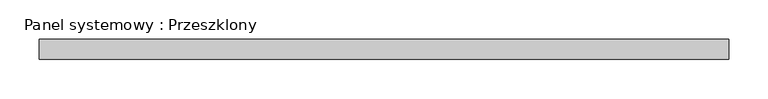
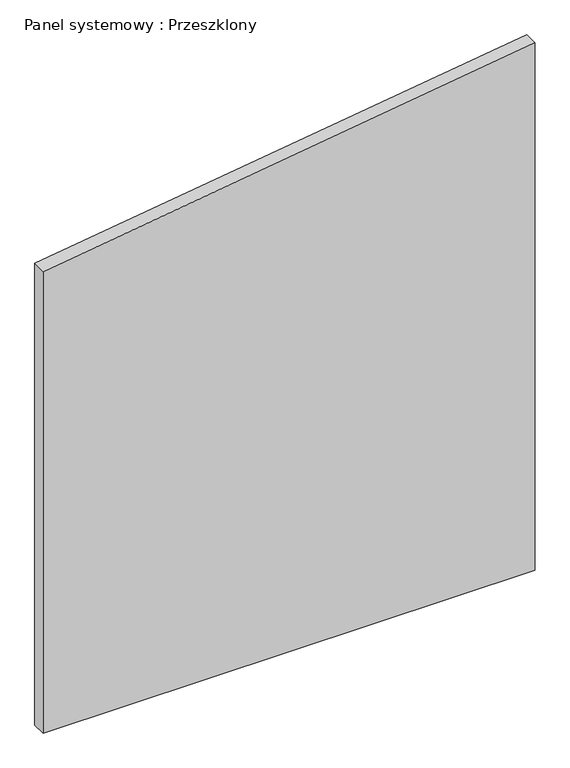
"""IFC4 building model written with IfcOpenShell, lengths in millimetres: plate geometry, Panel systemowy : Przeszklony."""

import ifcopenshell
import ifcopenshell.guid

model = None  # the IFC model being written
_history = None  # IfcOwnerHistory: only IFC2X3 demands one
_inside = {}  # id of a spatial element -> (the spatial element, [elements in it])
_under = {}  # id of a project, library or spatial element -> (it, [spatial elements below it])
_declared = {}  # id of a project -> (the project, [libraries it declares])
_typed = {}  # id of a type object -> (the type object, [elements of that type])
_made_of = {}  # id of a material, layer set ... -> (it, [elements and type objects made of it])


def new_model(schema):
    """Start an empty IFC model of exactly this schema.

    Asked for "IFC4X3", IfcOpenShell would pick the latest addendum, in which some entities
    have other attributes; the version numbers below select the first issue.
    IFC2X3 requires an IfcOwnerHistory on every rooted entity: one is made here for all.
    """
    global model, _history
    if schema == "IFC4X3":
        model = ifcopenshell.file(schema_version=(4, 3, 0, 0))
    else:
        model = ifcopenshell.file(schema=schema)
    _inside.clear()
    _under.clear()
    _declared.clear()
    _typed.clear()
    _made_of.clear()
    _history = None
    if model.schema == "IFC2X3":
        org = make("IfcOrganization", Name="unknown")
        user = make(
            "IfcPersonAndOrganization",
            ThePerson=make("IfcPerson", FamilyName="unknown"),
            TheOrganization=org,
        )
        app = make(
            "IfcApplication",
            ApplicationDeveloper=org,
            Version="unknown",
            ApplicationFullName="unknown",
            ApplicationIdentifier="unknown",
        )
        _history = make(
            "IfcOwnerHistory",
            OwningUser=user,
            OwningApplication=app,
            ChangeAction="ADDED",
            CreationDate=0,
        )
    return model


def make(cls, **values):
    """One entity of the class cls with the attributes given. An attribute that is None is left unset."""
    return model.create_entity(
        cls, **{name: value for name, value in values.items() if value is not None}
    )


def rooted(cls, **values):
    """An entity with a GlobalId (a new one), such as an element, a storey or a relation."""
    return make(cls, GlobalId=ifcopenshell.guid.new(), OwnerHistory=_history, **values)


def si_unit(unit_type, name, prefix=None):
    """IfcSIUnit, for example si_unit("LENGTHUNIT", "METRE", prefix="MILLI")."""
    return make("IfcSIUnit", UnitType=unit_type, Prefix=prefix, Name=name)


def assignment(units):
    """IfcUnitAssignment: the units of a project."""
    return None if units is None else make("IfcUnitAssignment", Units=units)


def point(xyz):
    """IfcCartesianPoint."""
    return None if xyz is None else make("IfcCartesianPoint", Coordinates=xyz)


def direction(xyz):
    """IfcDirection."""
    return None if xyz is None else make("IfcDirection", DirectionRatios=xyz)


def frame(location, z_axis=None, x_axis=None):
    """IfcAxis2Placement3D, a coordinate frame: its origin and axes. An axis left out is left unset."""
    return make(
        "IfcAxis2Placement3D",
        Location=point(location),
        Axis=direction(z_axis),
        RefDirection=direction(x_axis),
    )


def origin():
    """The frame at (0, 0, 0) with its axes left unset."""
    return frame((0.0, 0.0, 0.0))


def place(relative_to, where):
    """IfcLocalPlacement: puts the frame where relative to a parent placement (None: the world)."""
    return make(
        "IfcLocalPlacement", PlacementRelTo=relative_to, RelativePlacement=where
    )


def context(
    kind, dimensions, precision=None, world=None, true_north=None, identifier=None
):
    """IfcGeometricRepresentationContext, for example the 3D "Model" context."""
    return make(
        "IfcGeometricRepresentationContext",
        ContextIdentifier=identifier,
        ContextType=kind,
        CoordinateSpaceDimension=dimensions,
        Precision=precision,
        WorldCoordinateSystem=world,
        TrueNorth=true_north,
    )


def project(units=None, contexts=None):
    """IfcProject with its units and contexts."""
    return rooted(
        "IfcProject",
        Name="project",
        RepresentationContexts=contexts,
        UnitsInContext=assignment(units),
    )


def spatial(cls, under=None, at=None, **own):
    """A site, building, storey or space (cls), placed at a placement, below another one or the project."""
    s = rooted(cls, ObjectPlacement=at, **own)
    if under is not None:
        _under.setdefault(under.id(), (under, []))[1].append(s)
    return s


def polyline(points):
    """IfcPolyline through the points."""
    return make("IfcPolyline", Points=[point(p) for p in points])


def outline(outer, holes=None, kind="AREA"):
    """IfcArbitraryClosedProfileDef: a profile drawn as a closed curve; with holes, ...WithVoids."""
    if holes is None:
        return make("IfcArbitraryClosedProfileDef", ProfileType=kind, OuterCurve=outer)
    return make(
        "IfcArbitraryProfileDefWithVoids",
        ProfileType=kind,
        OuterCurve=outer,
        InnerCurves=holes,
    )


def extrude(swept, where, along, depth):
    """IfcExtrudedAreaSolid: the profile swept, set in the frame where, extruded along a direction by depth."""
    return make(
        "IfcExtrudedAreaSolid",
        SweptArea=swept,
        Position=where,
        ExtrudedDirection=direction(along),
        Depth=depth,
    )


def shape(context_of_items, identifier, shape_type, items):
    """IfcShapeRepresentation: the items that make up one representation, for example the "Body"."""
    return make(
        "IfcShapeRepresentation",
        ContextOfItems=context_of_items,
        RepresentationIdentifier=identifier,
        RepresentationType=shape_type,
        Items=items,
    )


def source(mapping_origin, context_of_items, identifier, shape_type, items):
    """IfcRepresentationMap: a shape defined once, which mapped items show again and again."""
    return make(
        "IfcRepresentationMap",
        MappingOrigin=mapping_origin,
        MappedRepresentation=shape(context_of_items, identifier, shape_type, items),
    )


def transform(
    local_origin,
    x_axis=None,
    y_axis=None,
    z_axis=None,
    scale=None,
    scale2=None,
    scale3=None,
    uniform=True,
):
    """IfcCartesianTransformationOperator3D, or its non-uniform kind. x_axis, y_axis, z_axis: its Axis1, 2, 3."""
    if uniform:
        return make(
            "IfcCartesianTransformationOperator3D",
            Axis1=direction(x_axis),
            Axis2=direction(y_axis),
            LocalOrigin=point(local_origin),
            Scale=scale,
            Axis3=direction(z_axis),
        )
    return make(
        "IfcCartesianTransformationOperator3DnonUniform",
        Axis1=direction(x_axis),
        Axis2=direction(y_axis),
        LocalOrigin=point(local_origin),
        Scale=scale,
        Axis3=direction(z_axis),
        Scale2=scale2,
        Scale3=scale3,
    )


def mapped(mapping_source, mapping_target):
    """IfcMappedItem: shows the shape of a source again, moved by a transform."""
    return make(
        "IfcMappedItem", MappingSource=mapping_source, MappingTarget=mapping_target
    )


def made_of(thing, what):
    """Note that an element or type object is made of a material, layer set ...; save() writes the relation."""
    if what is not None:
        _made_of.setdefault(what.id(), (what, []))[1].append(thing)
    return thing


def element(
    cls,
    number,
    at=None,
    inside=None,
    cuts=None,
    type_object=None,
    material=None,
    context=None,
    identifier="Body",
    shape_type=None,
    held_by="IfcProductDefinitionShape",
    body=None,
    shapes=None,
    **own,
):
    """One element of the class cls, such as IfcWall. Its Tag is "e" and its number.

    at: its placement. inside: the storey or other place that contains it. cuts: it is an
    opening in that element (IfcRelVoidsElement). A single representation is given by context,
    identifier, shape_type and body (its items); several are given by shapes. held_by: the class
    of the entity that holds the representations. save() writes the other relations.
    """
    e = rooted(cls, Tag="e%d" % number, ObjectPlacement=at, **own)
    if body is not None:
        shapes = [shape(context, identifier, shape_type, body)]
    if shapes is not None:
        e.Representation = make(held_by, Representations=shapes)
    if inside is not None:
        _inside.setdefault(inside.id(), (inside, []))[1].append(e)
    if cuts is not None:
        rooted(
            "IfcRelVoidsElement", RelatingBuildingElement=cuts, RelatedOpeningElement=e
        )
    if type_object is not None:
        _typed.setdefault(type_object.id(), (type_object, []))[1].append(e)
    return made_of(e, material)


def aggregate(whole, parts):
    """IfcRelAggregates: a whole, such as a stair, and the parts it consists of."""
    return rooted("IfcRelAggregates", RelatingObject=whole, RelatedObjects=parts)


def save(model, path):
    """Write the relations noted so far, then the file.

    IfcRelAggregates (storeys below a building ...), IfcRelContainedInSpatialStructure (elements
    in a storey), IfcRelDefinesByType, IfcRelAssociatesMaterial and IfcRelDeclares: one each for
    every whole, place, type object, material and project.
    """
    for whole, parts in _under.values():
        aggregate(whole, parts)
    for where, things in _inside.values():
        rooted(
            "IfcRelContainedInSpatialStructure",
            RelatedElements=things,
            RelatingStructure=where,
        )
    for kind, things in _typed.values():
        rooted("IfcRelDefinesByType", RelatedObjects=things, RelatingType=kind)
    for what, things in _made_of.values():
        rooted("IfcRelAssociatesMaterial", RelatedObjects=things, RelatingMaterial=what)
    for by, libraries in _declared.values():
        rooted("IfcRelDeclares", RelatingContext=by, RelatedDefinitions=libraries)
    model.write(path)


def panel_systemowy_przeszklony_320d1eef(model_context):
    return source(origin(), model_context, "Body", "SweptSolid", [
        extrude(outline(polyline([(0.0, -437.5), (0.0, 437.5), (990.2399972, 437.5), (867.1986152, -437.5), (0.0, -437.5)])), frame((0.0, 24.5, 0.0), z_axis=(0.0, 1.0, 0.0), x_axis=(0.0, 0.0, 1.0)), (0.0, 0.0, 1.0), 25.0),
    ])


if __name__ == "__main__":
    model = new_model("IFC4")
    model_context = context("Model", 3, world=origin())
    ifc_project = project(units=[si_unit("LENGTHUNIT", "METRE", prefix="MILLI")], contexts=[model_context])
    site = spatial("IfcSite", under=ifc_project)
    building = spatial("IfcBuilding", under=site)
    placement = place(None, origin())
    panel_systemowy_przeszklony_shape = panel_systemowy_przeszklony_320d1eef(model_context)
    element("IfcPlate", 1, ObjectType="Panel systemowy : Przeszklony", at=placement, inside=building, context=model_context, shape_type="MappedRepresentation", body=[
        mapped(panel_systemowy_przeszklony_shape, transform((0.0, 0.0, 0.0), x_axis=(1.0, 0.0, 0.0), y_axis=(0.0, 1.0, 0.0), z_axis=(0.0, 0.0, 1.0))),
    ])
    save(model, "model.ifc")
